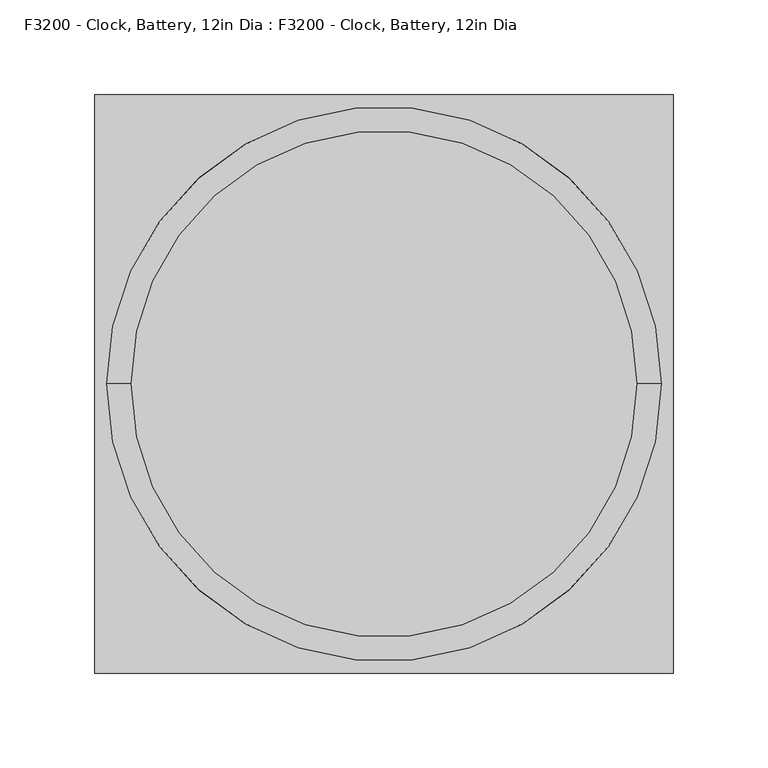
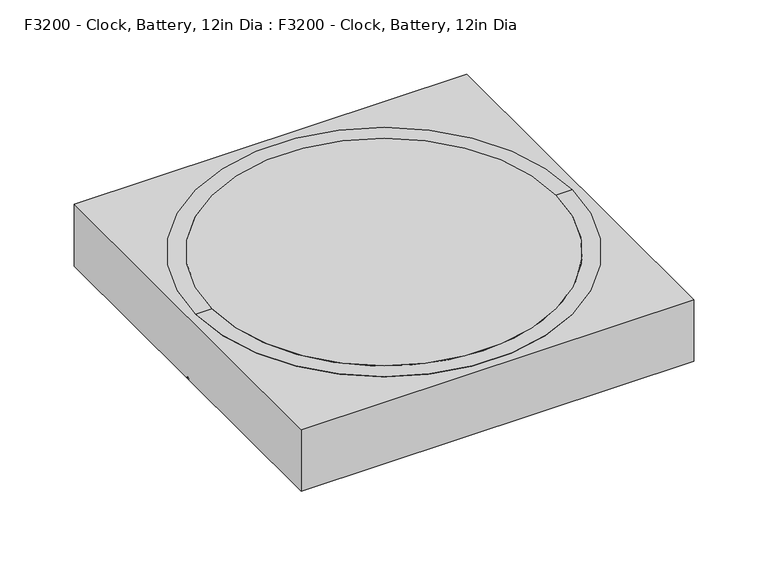
"""IFC4 building model written with IfcOpenShell, lengths in millimetres: proxy geometry, F3200 - Clock, Battery, 12in Dia : F3200 - Clock, Battery, 12in Dia."""

from ifc_helpers import new_model, si_unit, point, frame, frame_2d, origin, origin_with_axes, place, context, project, spatial, polyline, circle_curve, trimmed, segment, composite_curve, outline, extrude, source, transform, mapped, element, save
from ifc_brep_helpers import plane_surface, revolved_surface, advanced_brep


def f3200_clock_battery_12in_dia_f3200_clock_battery_12in_dia_a6ed2e24(model_context):
    return source(origin(), model_context, "Body", "SolidModel", [
        extrude(outline(composite_curve([segment(trimmed(circle_curve(frame_2d((0.0, 152.4)), 133.35), [point((-133.35, 152.4))], [point((133.35, 152.4))], False, "CARTESIAN"), True, "CONTINUOUS"), segment(trimmed(circle_curve(frame_2d((0.0, 152.4)), 133.35), [point((133.35, 152.4))], [point((-133.35, 152.4))], False, "CARTESIAN"), True, "CONTINUOUS")], self_intersect=False)), frame((0.0, 0.0, 44.45), z_axis=(0.0, 0.0, 1.0), x_axis=(1.0, 0.0, 0.0)), (0.0, 0.0, 1.0), 6.35),
        advanced_brep(
        [(0.0, 152.4, 0.0), (152.4, 152.4, 0.0), (-152.4, 152.4, 0.0), (-133.35, 152.4, 44.45), (133.35, 152.4, 44.45), (0.0, 152.4, 44.45), (-133.35, 152.4, 50.8), (133.35, 152.4, 50.8), (-146.05, 152.4, 50.8), (146.05, 152.4, 50.8)],
        [
            (0, 1),
            (1, 2, circle_curve(frame((0.0, 152.4, 0.0), z_axis=(0.0, 0.0, -1.0), x_axis=(1.0, 0.0, 0.0)), 152.4)),
            (2, 0),
            (2, 1, circle_curve(frame((0.0, 152.4, 0.0), z_axis=(0.0, 0.0, -1.0), x_axis=(1.0, 0.0, 0.0)), 152.4)),
            (3, 4, circle_curve(frame((0.0, 152.4, 44.45), z_axis=(0.0, 0.0, 1.0), x_axis=(1.0, 0.0, 0.0)), 133.35)),
            (4, 5),
            (5, 3),
            (4, 3, circle_curve(frame((0.0, 152.4, 44.45), z_axis=(0.0, 0.0, 1.0), x_axis=(1.0, 0.0, 0.0)), 133.35)),
            (6, 7, circle_curve(frame((0.0, 152.4, 50.8), z_axis=(0.0, 0.0, 1.0), x_axis=(1.0, 0.0, 0.0)), 133.35)),
            (7, 4),
            (3, 6),
            (7, 6, circle_curve(frame((0.0, 152.4, 50.8), z_axis=(0.0, 0.0, 1.0), x_axis=(1.0, 0.0, 0.0)), 133.35)),
            (8, 9, circle_curve(frame((0.0, 152.4, 50.8), z_axis=(0.0, 0.0, 1.0), x_axis=(1.0, 0.0, 0.0)), 146.05)),
            (9, 7),
            (6, 8),
            (9, 8, circle_curve(frame((0.0, 152.4, 50.8), z_axis=(0.0, 0.0, 1.0), x_axis=(1.0, 0.0, 0.0)), 146.05)),
            (1, 9),
            (8, 2),
        ],
        [
            plane_surface(frame((0.0, 152.4, 0.0), z_axis=(0.0, 0.0, -1.0), x_axis=(1.0, 0.0, 0.0))),
            plane_surface(frame((0.0, 152.4, 44.45), z_axis=(0.0, 0.0, 1.0), x_axis=(1.0, 0.0, 0.0))),
            revolved_surface(polyline([(133.35, 152.4, 44.45), (133.35, 152.4, 50.8)]), (0.0, 152.4, 0.0), (0.0, 0.0, -1.0)),
            plane_surface(frame((0.0, 152.4, 50.8), z_axis=(0.0, 0.0, 1.0), x_axis=(1.0, 0.0, 0.0))),
            revolved_surface(polyline([(146.05, 152.4, 50.8), (152.4, 152.4, 0.0)]), (0.0, 152.4, 0.0), (0.0, 0.0, -1.0)),
        ],
        [
            (0, [[1, 2, 3]]),
            (0, [[-3, 4, -1]]),
            (1, [[5, 6, 7]]),
            (1, [[8, -7, -6]]),
            (2, [[9, 10, -5, 11]]),
            (2, [[12, -11, -8, -10]]),
            (3, [[13, 14, -9, 15]]),
            (3, [[16, -15, -12, -14]]),
            (4, [[-2, 17, -13, 18]]),
            (4, [[-4, -18, -16, -17]]),
        ],
    ),
        extrude(outline(polyline([(152.4, 304.8), (152.4, 0.0), (-152.4, 0.0), (-152.4, 304.8), (152.4, 304.8)])), origin_with_axes(), (0.0, 0.0, 1.0), 50.8),
    ])


if __name__ == "__main__":
    model = new_model("IFC4")
    model_context = context("Model", 3, world=origin())
    ifc_project = project(units=[si_unit("LENGTHUNIT", "METRE", prefix="MILLI")], contexts=[model_context])
    site = spatial("IfcSite", under=ifc_project)
    building = spatial("IfcBuilding", under=site)
    placement = place(None, origin())
    f3200_clock_battery_12in_dia_f3200_clock_battery_12in_dia_shape = f3200_clock_battery_12in_dia_f3200_clock_battery_12in_dia_a6ed2e24(model_context)
    element("IfcBuildingElementProxy", 1, Name="F3200 - Clock, Battery, 12in Dia : F3200 - Clock, Battery, 12in Dia", ObjectType="F3200 - Clock, Battery, 12in Dia : F3200 - Clock, Battery, 12in Dia", at=placement, inside=building, context=model_context, shape_type="MappedRepresentation", body=[
        mapped(f3200_clock_battery_12in_dia_f3200_clock_battery_12in_dia_shape, transform((0.0, 0.0, 0.0), x_axis=(1.0, 0.0, 0.0), y_axis=(0.0, 1.0, 0.0), z_axis=(0.0, 0.0, 1.0))),
    ])
    save(model, "model.ifc")
